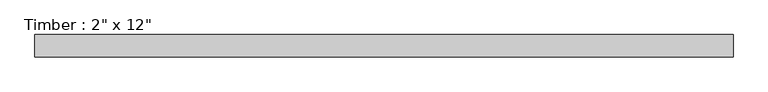
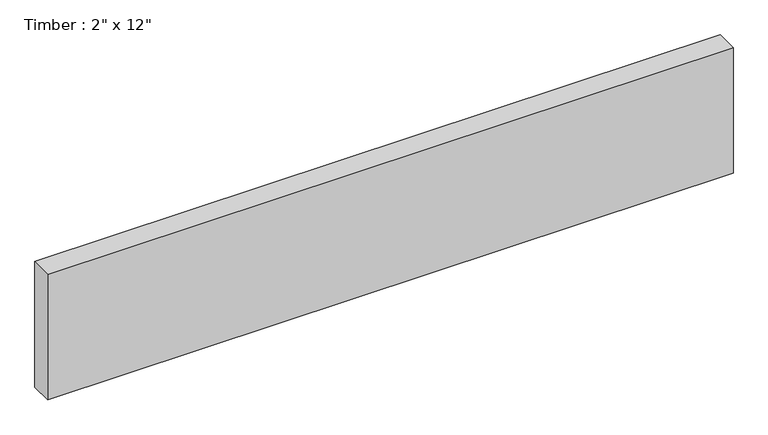
"""IFC4 building model written with IfcOpenShell, lengths in millimetres: beam geometry."""

from ifc_helpers import new_model, si_unit, frame, origin, place, context, project, spatial, polyline, outline, extrude, source, transform, mapped, element, save


def beam_cd660e9b(model_context):
    return source(origin(), model_context, "Body", "SweptSolid", [
        extrude(outline(polyline([(785.6626215, 25.4), (785.6626215, -25.4), (-785.6626208, -25.4), (-785.6626208, 25.4), (785.6626215, 25.4)])), frame((0.0, 0.0, -152.4), z_axis=(0.0, 0.0, 1.0), x_axis=(1.0, 0.0, 0.0)), (0.0, 0.0, 1.0), 304.8),
    ])


if __name__ == "__main__":
    model = new_model("IFC4")
    model_context = context("Model", 3, world=origin())
    ifc_project = project(units=[si_unit("LENGTHUNIT", "METRE", prefix="MILLI")], contexts=[model_context])
    site = spatial("IfcSite", under=ifc_project)
    building = spatial("IfcBuilding", under=site)
    placement = place(None, origin())
    beam_shape = beam_cd660e9b(model_context)
    element("IfcBeam", 1, ObjectType="Timber : 2\" x 12\"", at=placement, inside=building, context=model_context, shape_type="MappedRepresentation", body=[
        mapped(beam_shape, transform((0.0, 0.0, 0.0), x_axis=(1.0, 0.0, 0.0), y_axis=(0.0, 1.0, 0.0), z_axis=(0.0, 0.0, 1.0))),
    ])
    save(model, "model.ifc")
